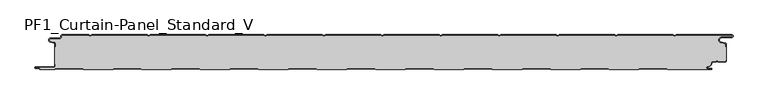
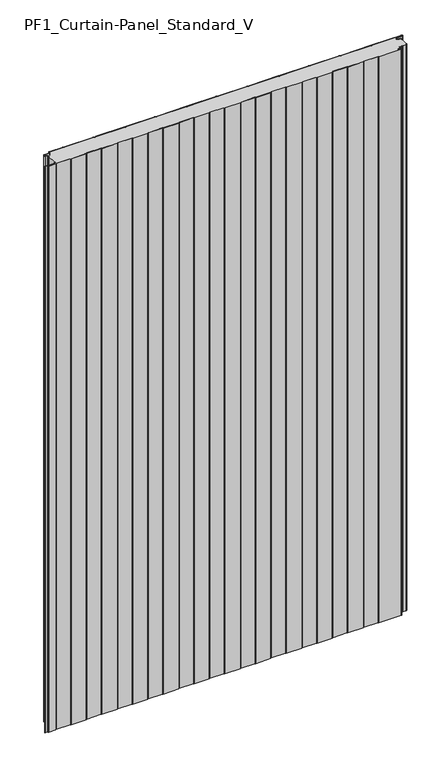
"""IFC4 building model written with IfcOpenShell, lengths in millimetres: plate geometry, PF1_Curtain-Panel_Standard_V."""

import ifcopenshell
import ifcopenshell.guid

model = None  # the IFC model being written
_history = None  # IfcOwnerHistory: only IFC2X3 demands one
_inside = {}  # id of a spatial element -> (the spatial element, [elements in it])
_under = {}  # id of a project, library or spatial element -> (it, [spatial elements below it])
_declared = {}  # id of a project -> (the project, [libraries it declares])
_typed = {}  # id of a type object -> (the type object, [elements of that type])
_made_of = {}  # id of a material, layer set ... -> (it, [elements and type objects made of it])


def new_model(schema):
    """Start an empty IFC model of exactly this schema.

    Asked for "IFC4X3", IfcOpenShell would pick the latest addendum, in which some entities
    have other attributes; the version numbers below select the first issue.
    IFC2X3 requires an IfcOwnerHistory on every rooted entity: one is made here for all.
    """
    global model, _history
    if schema == "IFC4X3":
        model = ifcopenshell.file(schema_version=(4, 3, 0, 0))
    else:
        model = ifcopenshell.file(schema=schema)
    _inside.clear()
    _under.clear()
    _declared.clear()
    _typed.clear()
    _made_of.clear()
    _history = None
    if model.schema == "IFC2X3":
        org = make("IfcOrganization", Name="unknown")
        user = make(
            "IfcPersonAndOrganization",
            ThePerson=make("IfcPerson", FamilyName="unknown"),
            TheOrganization=org,
        )
        app = make(
            "IfcApplication",
            ApplicationDeveloper=org,
            Version="unknown",
            ApplicationFullName="unknown",
            ApplicationIdentifier="unknown",
        )
        _history = make(
            "IfcOwnerHistory",
            OwningUser=user,
            OwningApplication=app,
            ChangeAction="ADDED",
            CreationDate=0,
        )
    return model


def make(cls, **values):
    """One entity of the class cls with the attributes given. An attribute that is None is left unset."""
    return model.create_entity(
        cls, **{name: value for name, value in values.items() if value is not None}
    )


def rooted(cls, **values):
    """An entity with a GlobalId (a new one), such as an element, a storey or a relation."""
    return make(cls, GlobalId=ifcopenshell.guid.new(), OwnerHistory=_history, **values)


def si_unit(unit_type, name, prefix=None):
    """IfcSIUnit, for example si_unit("LENGTHUNIT", "METRE", prefix="MILLI")."""
    return make("IfcSIUnit", UnitType=unit_type, Prefix=prefix, Name=name)


def assignment(units):
    """IfcUnitAssignment: the units of a project."""
    return None if units is None else make("IfcUnitAssignment", Units=units)


def point(xyz):
    """IfcCartesianPoint."""
    return None if xyz is None else make("IfcCartesianPoint", Coordinates=xyz)


def direction(xyz):
    """IfcDirection."""
    return None if xyz is None else make("IfcDirection", DirectionRatios=xyz)


def frame(location, z_axis=None, x_axis=None):
    """IfcAxis2Placement3D, a coordinate frame: its origin and axes. An axis left out is left unset."""
    return make(
        "IfcAxis2Placement3D",
        Location=point(location),
        Axis=direction(z_axis),
        RefDirection=direction(x_axis),
    )


def frame_2d(location, x_axis=None):
    """IfcAxis2Placement2D, a coordinate frame in the plane: its origin and x axis."""
    return make(
        "IfcAxis2Placement2D", Location=point(location), RefDirection=direction(x_axis)
    )


def origin():
    """The frame at (0, 0, 0) with its axes left unset."""
    return frame((0.0, 0.0, 0.0))


def origin_with_axes():
    """The frame at (0, 0, 0) with the z axis (0, 0, 1) and the x axis (1, 0, 0) written out."""
    return frame((0.0, 0.0, 0.0), z_axis=(0.0, 0.0, 1.0), x_axis=(1.0, 0.0, 0.0))


def place(relative_to, where):
    """IfcLocalPlacement: puts the frame where relative to a parent placement (None: the world)."""
    return make(
        "IfcLocalPlacement", PlacementRelTo=relative_to, RelativePlacement=where
    )


def context(
    kind, dimensions, precision=None, world=None, true_north=None, identifier=None
):
    """IfcGeometricRepresentationContext, for example the 3D "Model" context."""
    return make(
        "IfcGeometricRepresentationContext",
        ContextIdentifier=identifier,
        ContextType=kind,
        CoordinateSpaceDimension=dimensions,
        Precision=precision,
        WorldCoordinateSystem=world,
        TrueNorth=true_north,
    )


def project(units=None, contexts=None):
    """IfcProject with its units and contexts."""
    return rooted(
        "IfcProject",
        Name="project",
        RepresentationContexts=contexts,
        UnitsInContext=assignment(units),
    )


def spatial(cls, under=None, at=None, **own):
    """A site, building, storey or space (cls), placed at a placement, below another one or the project."""
    s = rooted(cls, ObjectPlacement=at, **own)
    if under is not None:
        _under.setdefault(under.id(), (under, []))[1].append(s)
    return s


def polyline(points):
    """IfcPolyline through the points."""
    return make("IfcPolyline", Points=[point(p) for p in points])


def circle_curve(where, radius):
    """IfcCircle in the frame where."""
    return make("IfcCircle", Position=where, Radius=radius)


def trimmed(basis, trim1, trim2, sense, master):
    """IfcTrimmedCurve: the piece of a basis curve between two trims."""
    return make(
        "IfcTrimmedCurve",
        BasisCurve=basis,
        Trim1=trim1,
        Trim2=trim2,
        SenseAgreement=sense,
        MasterRepresentation=master,
    )


def segment(curve, same_sense, transition):
    """IfcCompositeCurveSegment."""
    return make(
        "IfcCompositeCurveSegment",
        Transition=transition,
        SameSense=same_sense,
        ParentCurve=curve,
    )


def composite_curve(segments, self_intersect=None):
    """IfcCompositeCurve: segments joined end to end."""
    return make("IfcCompositeCurve", Segments=segments, SelfIntersect=self_intersect)


def outline(outer, holes=None, kind="AREA"):
    """IfcArbitraryClosedProfileDef: a profile drawn as a closed curve; with holes, ...WithVoids."""
    if holes is None:
        return make("IfcArbitraryClosedProfileDef", ProfileType=kind, OuterCurve=outer)
    return make(
        "IfcArbitraryProfileDefWithVoids",
        ProfileType=kind,
        OuterCurve=outer,
        InnerCurves=holes,
    )


def extrude(swept, where, along, depth):
    """IfcExtrudedAreaSolid: the profile swept, set in the frame where, extruded along a direction by depth."""
    return make(
        "IfcExtrudedAreaSolid",
        SweptArea=swept,
        Position=where,
        ExtrudedDirection=direction(along),
        Depth=depth,
    )


def shape(context_of_items, identifier, shape_type, items):
    """IfcShapeRepresentation: the items that make up one representation, for example the "Body"."""
    return make(
        "IfcShapeRepresentation",
        ContextOfItems=context_of_items,
        RepresentationIdentifier=identifier,
        RepresentationType=shape_type,
        Items=items,
    )


def source(mapping_origin, context_of_items, identifier, shape_type, items):
    """IfcRepresentationMap: a shape defined once, which mapped items show again and again."""
    return make(
        "IfcRepresentationMap",
        MappingOrigin=mapping_origin,
        MappedRepresentation=shape(context_of_items, identifier, shape_type, items),
    )


def transform(
    local_origin,
    x_axis=None,
    y_axis=None,
    z_axis=None,
    scale=None,
    scale2=None,
    scale3=None,
    uniform=True,
):
    """IfcCartesianTransformationOperator3D, or its non-uniform kind. x_axis, y_axis, z_axis: its Axis1, 2, 3."""
    if uniform:
        return make(
            "IfcCartesianTransformationOperator3D",
            Axis1=direction(x_axis),
            Axis2=direction(y_axis),
            LocalOrigin=point(local_origin),
            Scale=scale,
            Axis3=direction(z_axis),
        )
    return make(
        "IfcCartesianTransformationOperator3DnonUniform",
        Axis1=direction(x_axis),
        Axis2=direction(y_axis),
        LocalOrigin=point(local_origin),
        Scale=scale,
        Axis3=direction(z_axis),
        Scale2=scale2,
        Scale3=scale3,
    )


def mapped(mapping_source, mapping_target):
    """IfcMappedItem: shows the shape of a source again, moved by a transform."""
    return make(
        "IfcMappedItem", MappingSource=mapping_source, MappingTarget=mapping_target
    )


def made_of(thing, what):
    """Note that an element or type object is made of a material, layer set ...; save() writes the relation."""
    if what is not None:
        _made_of.setdefault(what.id(), (what, []))[1].append(thing)
    return thing


def element(
    cls,
    number,
    at=None,
    inside=None,
    cuts=None,
    type_object=None,
    material=None,
    context=None,
    identifier="Body",
    shape_type=None,
    held_by="IfcProductDefinitionShape",
    body=None,
    shapes=None,
    **own,
):
    """One element of the class cls, such as IfcWall. Its Tag is "e" and its number.

    at: its placement. inside: the storey or other place that contains it. cuts: it is an
    opening in that element (IfcRelVoidsElement). A single representation is given by context,
    identifier, shape_type and body (its items); several are given by shapes. held_by: the class
    of the entity that holds the representations. save() writes the other relations.
    """
    e = rooted(cls, Tag="e%d" % number, ObjectPlacement=at, **own)
    if body is not None:
        shapes = [shape(context, identifier, shape_type, body)]
    if shapes is not None:
        e.Representation = make(held_by, Representations=shapes)
    if inside is not None:
        _inside.setdefault(inside.id(), (inside, []))[1].append(e)
    if cuts is not None:
        rooted(
            "IfcRelVoidsElement", RelatingBuildingElement=cuts, RelatedOpeningElement=e
        )
    if type_object is not None:
        _typed.setdefault(type_object.id(), (type_object, []))[1].append(e)
    return made_of(e, material)


def aggregate(whole, parts):
    """IfcRelAggregates: a whole, such as a stair, and the parts it consists of."""
    return rooted("IfcRelAggregates", RelatingObject=whole, RelatedObjects=parts)


def save(model, path):
    """Write the relations noted so far, then the file.

    IfcRelAggregates (storeys below a building ...), IfcRelContainedInSpatialStructure (elements
    in a storey), IfcRelDefinesByType, IfcRelAssociatesMaterial and IfcRelDeclares: one each for
    every whole, place, type object, material and project.
    """
    for whole, parts in _under.values():
        aggregate(whole, parts)
    for where, things in _inside.values():
        rooted(
            "IfcRelContainedInSpatialStructure",
            RelatedElements=things,
            RelatingStructure=where,
        )
    for kind, things in _typed.values():
        rooted("IfcRelDefinesByType", RelatedObjects=things, RelatingType=kind)
    for what, things in _made_of.values():
        rooted("IfcRelAssociatesMaterial", RelatedObjects=things, RelatingMaterial=what)
    for by, libraries in _declared.values():
        rooted("IfcRelDeclares", RelatingContext=by, RelatedDefinitions=libraries)
    model.write(path)


def pf1_curtain_panel_standard_v_6b1c854a(model_context):
    return source(origin(), model_context, "Body", "SweptSolid", [
        extrude(outline(composite_curve([segment(trimmed(circle_curve(frame_2d((-577.0, -15.878557)), 2.0), [point((-575.0, -15.878557))], [point((-576.5500978, -13.9298169))], True, "CARTESIAN"), True, "CONTINUOUS"), segment(polyline([(-576.5500978, -13.9298169), (-582.7098239, -12.507732)]), True, "CONTINUOUS"), segment(trimmed(circle_curve(frame_2d((-581.9, -9.0)), 3.6), [point((-582.7098239, -12.507732))], [point((-581.9, -5.4))], False, "CARTESIAN"), True, "CONTINUOUS"), segment(polyline([(-581.9, -5.4), (-566.4, -5.4)]), True, "CONTINUOUS"), segment(trimmed(circle_curve(frame_2d((-566.4, -3.4)), 2.0), [point((-566.4, -5.4))], [point((-564.4, -3.4))], True, "CARTESIAN"), True, "CONTINUOUS"), segment(polyline([(-564.4, -3.4), (-564.4, -2.0)]), True, "CONTINUOUS"), segment(trimmed(circle_curve(frame_2d((-562.4, -2.0)), 2.0), [point((-564.4, -2.0))], [point((-562.4, 0.0))], False, "CARTESIAN"), True, "CONTINUOUS"), segment(polyline([(-562.4, 0.0), (-517.0999995, 0.0), (-514.4, -1.5588455), (-511.7000005, 0.0), (-417.0999995, 0.0), (-414.4, -1.5588455), (-411.7000005, 0.0), (-317.0999995, 0.0), (-314.4, -1.5588455), (-311.7000005, 0.0), (-217.0999995, 0.0), (-214.4, -1.5588455), (-211.7000005, 0.0), (-117.0999995, 0.0), (-114.4, -1.5588455), (-111.7000005, 0.0), (-17.0999995, 0.0), (-14.4, -1.5588455), (-11.7000005, 0.0), (82.9000005, 0.0), (85.6, -1.5588455), (88.2999995, 0.0), (182.9000005, 0.0), (185.6, -1.5588455), (188.2999995, 0.0), (282.9000005, 0.0), (285.6, -1.5588455), (288.2999995, 0.0), (382.9000005, 0.0), (385.6, -1.5588455), (388.2999995, 0.0), (482.9000005, 0.0), (485.6, -1.5588455), (488.2999995, 0.0), (583.268846, 0.0)]), True, "CONTINUOUS"), segment(trimmed(circle_curve(frame_2d((583.268846, -2.5)), 2.5), [point((583.268846, 0.0))], [point((583.268846, -5.0))], False, "CARTESIAN"), True, "CONTINUOUS"), segment(polyline([(583.268846, -5.0), (566.268846, -5.0)]), True, "CONTINUOUS"), segment(trimmed(circle_curve(frame_2d((566.268846, -9.0)), 4.0), [point((566.268846, -5.0))], [point((565.574253, -12.939231))], True, "CARTESIAN"), True, "CONTINUOUS"), segment(polyline([(565.574253, -12.939231), (572.0203315, -14.0758491)]), True, "CONTINUOUS"), segment(trimmed(circle_curve(frame_2d((571.568846, -16.6363492)), 2.6), [point((572.0203315, -14.0758491))], [point((574.168846, -16.6363492))], False, "CARTESIAN"), True, "CONTINUOUS"), segment(polyline([(574.168846, -16.6363492), (574.168846, -20.0), (573.368846, -20.0), (573.368846, -16.6363492)]), True, "CONTINUOUS"), segment(trimmed(circle_curve(frame_2d((571.568846, -16.6363492)), 1.8), [point((573.368846, -16.6363492))], [point((571.8814129, -14.8636953))], True, "CARTESIAN"), True, "CONTINUOUS"), segment(polyline([(571.8814129, -14.8636953), (565.4353344, -13.7270772)]), True, "CONTINUOUS"), segment(trimmed(circle_curve(frame_2d((566.268846, -9.0)), 4.8), [point((565.4353344, -13.7270772))], [point((566.268846, -4.2))], False, "CARTESIAN"), True, "CONTINUOUS"), segment(polyline([(566.268846, -4.2), (583.268846, -4.2)]), True, "CONTINUOUS"), segment(trimmed(circle_curve(frame_2d((583.268846, -2.5)), 1.7), [point((583.268846, -4.2))], [point((583.268846, -0.8))], True, "CARTESIAN"), True, "CONTINUOUS"), segment(polyline([(583.268846, -0.8), (488.5143588, -0.8), (485.6, -2.482606), (482.6856412, -0.8), (388.5143588, -0.8), (385.6, -2.482606), (382.6856412, -0.8), (288.5143588, -0.8), (285.6, -2.482606), (282.6856412, -0.8), (188.5143588, -0.8), (185.6, -2.482606), (182.6856412, -0.8), (88.5143588, -0.8), (85.6, -2.482606), (82.6856412, -0.8), (-11.4856412, -0.8), (-14.4, -2.482606), (-17.3143588, -0.8), (-111.4856412, -0.8), (-114.4, -2.482606), (-117.3143588, -0.8), (-211.4856412, -0.8), (-214.4, -2.482606), (-217.3143588, -0.8), (-311.4856412, -0.8), (-314.4, -2.482606), (-317.3143588, -0.8), (-411.4856412, -0.8), (-414.4, -2.482606), (-417.3143588, -0.8), (-511.4856412, -0.8), (-514.4, -2.482606), (-517.3143588, -0.8), (-562.4, -0.8)]), True, "CONTINUOUS"), segment(trimmed(circle_curve(frame_2d((-562.4, -2.0)), 1.2), [point((-562.4, -0.8))], [point((-563.6, -2.0))], True, "CARTESIAN"), True, "CONTINUOUS"), segment(polyline([(-563.6, -2.0), (-563.6, -3.4)]), True, "CONTINUOUS"), segment(trimmed(circle_curve(frame_2d((-566.4, -3.4)), 2.8), [point((-563.6, -3.4))], [point((-566.4, -6.2))], False, "CARTESIAN"), True, "CONTINUOUS"), segment(polyline([(-566.4, -6.2), (-581.9, -6.2)]), True, "CONTINUOUS"), segment(trimmed(circle_curve(frame_2d((-581.9, -9.0)), 2.8), [point((-581.9, -6.2))], [point((-582.529863, -11.7282362))], True, "CARTESIAN"), True, "CONTINUOUS"), segment(polyline([(-582.529863, -11.7282362), (-576.370137, -13.150321)]), True, "CONTINUOUS"), segment(trimmed(circle_curve(frame_2d((-577.0, -15.878557)), 2.8), [point((-576.370137, -13.150321))], [point((-574.2, -15.878557))], False, "CARTESIAN"), True, "CONTINUOUS"), segment(polyline([(-574.2, -15.878557), (-574.2, -20.0), (-575.0, -20.0), (-575.0, -15.878557)]), True, "CONTINUOUS")], self_intersect=False)), origin_with_axes(), (0.0, 0.0, 1.0), 1945.7507136),
        extrude(outline(composite_curve([segment(polyline([(-574.2, -50.0), (-575.0, -50.0), (-575.0, -20.0), (-574.2, -20.0), (-574.2, -15.878557)]), True, "CONTINUOUS"), segment(trimmed(circle_curve(frame_2d((-577.0, -15.878557)), 2.8), [point((-574.2, -15.878557))], [point((-576.370137, -13.1503208))], True, "CARTESIAN"), True, "CONTINUOUS"), segment(polyline([(-576.370137, -13.1503208), (-582.529863, -11.7282362)]), True, "CONTINUOUS"), segment(trimmed(circle_curve(frame_2d((-581.9, -9.0)), 2.8), [point((-582.529863, -11.7282362))], [point((-581.9, -6.2))], False, "CARTESIAN"), True, "CONTINUOUS"), segment(polyline([(-581.9, -6.2), (-566.4, -6.2)]), True, "CONTINUOUS"), segment(trimmed(circle_curve(frame_2d((-566.4, -3.4)), 2.8), [point((-566.4, -6.2))], [point((-563.6, -3.4))], True, "CARTESIAN"), True, "CONTINUOUS"), segment(polyline([(-563.6, -3.4), (-563.6, -2.0)]), True, "CONTINUOUS"), segment(trimmed(circle_curve(frame_2d((-562.4, -2.0)), 1.2), [point((-563.6, -2.0))], [point((-562.4, -0.8))], False, "CARTESIAN"), True, "CONTINUOUS"), segment(polyline([(-562.4, -0.8), (-517.3143588, -0.8), (-514.4, -2.482606), (-511.4856412, -0.8), (-417.3143588, -0.8), (-414.4, -2.482606), (-411.4856412, -0.8), (-317.3143588, -0.8), (-314.4, -2.482606), (-311.4856412, -0.8), (-217.3143588, -0.8), (-214.4, -2.482606), (-211.4856412, -0.8), (-117.3143588, -0.8), (-114.4, -2.482606), (-111.4856412, -0.8), (-17.3143588, -0.8), (-14.4, -2.482606), (-11.4856412, -0.8), (82.6856412, -0.8), (85.6, -2.482606), (88.5143588, -0.8), (182.6856412, -0.8), (185.6, -2.482606), (188.5143588, -0.8), (282.6856412, -0.8), (285.6, -2.482606), (288.5143588, -0.8), (382.6856412, -0.8), (385.6, -2.482606), (388.5143588, -0.8), (482.6856412, -0.8), (485.6, -2.482606), (488.5143588, -0.8), (583.268846, -0.8)]), True, "CONTINUOUS"), segment(trimmed(circle_curve(frame_2d((583.268846, -2.5)), 1.7), [point((583.268846, -0.8))], [point((583.268846, -4.2))], False, "CARTESIAN"), True, "CONTINUOUS"), segment(polyline([(583.268846, -4.2), (566.268846, -4.2)]), True, "CONTINUOUS"), segment(trimmed(circle_curve(frame_2d((566.268846, -9.0)), 4.8), [point((566.268846, -4.2))], [point((565.4353344, -13.7270772))], True, "CARTESIAN"), True, "CONTINUOUS"), segment(polyline([(565.4353344, -13.7270772), (571.8814129, -14.8636953)]), True, "CONTINUOUS"), segment(trimmed(circle_curve(frame_2d((571.568846, -16.6363492)), 1.8), [point((571.8814129, -14.8636953))], [point((573.368846, -16.6363492))], False, "CARTESIAN"), True, "CONTINUOUS"), segment(polyline([(573.368846, -16.6363492), (573.368846, -20.0), (574.168846, -20.0), (574.168846, -43.0), (573.368846, -43.0), (573.368846, -44.4)]), True, "CONTINUOUS"), segment(trimmed(circle_curve(frame_2d((571.568846, -44.4)), 1.8), [point((573.368846, -44.4))], [point((571.568846, -46.2))], False, "CARTESIAN"), True, "CONTINUOUS"), segment(polyline([(571.568846, -46.2), (560.0002158, -46.2), (558.168846, -44.3686285), (556.3374762, -46.2), (550.168846, -46.2)]), True, "CONTINUOUS"), segment(trimmed(circle_curve(frame_2d((550.168846, -48.0)), 1.8), [point((550.168846, -46.2))], [point((548.368846, -48.0))], True, "CARTESIAN"), True, "CONTINUOUS"), segment(polyline([(548.368846, -48.0), (548.368846, -48.8276204)]), True, "CONTINUOUS"), segment(trimmed(circle_curve(frame_2d((542.9964664, -48.8276204)), 5.3723796), [point((548.368846, -48.8276204))], [point((542.9964664, -54.2))], False, "CARTESIAN"), True, "CONTINUOUS"), segment(polyline([(542.9964664, -54.2), (542.168846, -54.2)]), True, "CONTINUOUS"), segment(trimmed(circle_curve(frame_2d((542.168846, -56.4)), 2.2), [point((542.168846, -54.2))], [point((542.168846, -58.6))], True, "CARTESIAN"), True, "CONTINUOUS"), segment(polyline([(542.168846, -58.6), (548.0579973, -58.6)]), True, "CONTINUOUS"), segment(trimmed(circle_curve(frame_2d((548.0579973, -58.9)), 0.3), [point((548.0579973, -58.6))], [point((548.0579973, -59.2))], False, "CARTESIAN"), True, "CONTINUOUS"), segment(polyline([(548.0579973, -59.2), (474.2152562, -59.2), (471.6171786, -57.7), (426.3884624, -57.7), (423.7903848, -59.2), (374.2152562, -59.2), (371.6171786, -57.7), (326.3884624, -57.7), (323.7903848, -59.2), (274.2152562, -59.2), (271.6171786, -57.7), (226.3884624, -57.7), (223.7903848, -59.2), (174.2152562, -59.2), (171.6171786, -57.7), (126.3884624, -57.7), (123.7903848, -59.2), (74.2152562, -59.2), (71.6171786, -57.7), (26.3884624, -57.7), (23.7903848, -59.2), (-25.7847438, -59.2), (-28.3828214, -57.7), (-73.6115376, -57.7), (-76.2096152, -59.2), (-125.7847438, -59.2), (-128.3828214, -57.7), (-173.6115376, -57.7), (-176.2096152, -59.2), (-225.7847438, -59.2), (-228.3828214, -57.7), (-273.6115376, -57.7), (-276.2096152, -59.2), (-325.7847438, -59.2), (-328.3828214, -57.7), (-373.6115376, -57.7), (-376.2096152, -59.2), (-425.7847438, -59.2), (-428.3828214, -57.7), (-473.6115376, -57.7), (-476.2096152, -59.2), (-525.7847438, -59.2), (-528.3828214, -57.7), (-573.6115376, -57.7), (-576.2096152, -59.2), (-599.4, -59.2)]), True, "CONTINUOUS"), segment(trimmed(circle_curve(frame_2d((-599.4, -58.4)), 0.8), [point((-599.4, -59.2))], [point((-600.2, -58.4))], False, "CARTESIAN"), True, "CONTINUOUS"), segment(trimmed(circle_curve(frame_2d((-601.9, -58.6133333)), 1.7133333), [point((-600.2, -58.4))], [point((-601.9, -56.9))], True, "CARTESIAN"), True, "CONTINUOUS"), segment(polyline([(-601.9, -56.9), (-607.8700312, -56.9)]), True, "CONTINUOUS"), segment(trimmed(circle_curve(frame_2d((-607.8700312, -56.6)), 0.3), [point((-607.8700312, -56.9))], [point((-607.8700312, -56.3))], False, "CARTESIAN"), True, "CONTINUOUS"), segment(polyline([(-607.8700312, -56.3), (-577.0, -56.3)]), True, "CONTINUOUS"), segment(trimmed(circle_curve(frame_2d((-577.0, -53.5)), 2.8), [point((-577.0, -56.3))], [point((-574.2, -53.5))], True, "CARTESIAN"), True, "CONTINUOUS"), segment(polyline([(-574.2, -53.5), (-574.2, -50.0)]), True, "CONTINUOUS")], self_intersect=False)), origin_with_axes(), (0.0, 0.0, 1.0), 1945.7507136),
        extrude(outline(composite_curve([segment(polyline([(-575.0, -50.0), (-574.2, -50.0), (-574.2, -53.5)]), True, "CONTINUOUS"), segment(trimmed(circle_curve(frame_2d((-577.0, -53.5)), 2.8), [point((-574.2, -53.5))], [point((-577.0, -56.3))], False, "CARTESIAN"), True, "CONTINUOUS"), segment(polyline([(-577.0, -56.3), (-607.8700312, -56.3)]), True, "CONTINUOUS"), segment(trimmed(circle_curve(frame_2d((-607.8700312, -56.6)), 0.3), [point((-607.8700312, -56.3))], [point((-607.8700312, -56.9))], True, "CARTESIAN"), True, "CONTINUOUS"), segment(polyline([(-607.8700312, -56.9), (-601.9, -56.9)]), True, "CONTINUOUS"), segment(trimmed(circle_curve(frame_2d((-601.9, -58.6133333)), 1.7133333), [point((-601.9, -56.9))], [point((-600.2, -58.4))], False, "CARTESIAN"), True, "CONTINUOUS"), segment(trimmed(circle_curve(frame_2d((-599.4, -58.4)), 0.8), [point((-600.2, -58.4))], [point((-599.4, -59.2))], True, "CARTESIAN"), True, "CONTINUOUS"), segment(polyline([(-599.4, -59.2), (-576.2096152, -59.2), (-573.6115376, -57.7), (-528.3828214, -57.7), (-525.7847438, -59.2), (-476.2096152, -59.2), (-473.6115376, -57.7), (-428.3828214, -57.7), (-425.7847438, -59.2), (-376.2096152, -59.2), (-373.6115376, -57.7), (-328.3828214, -57.7), (-325.7847438, -59.2), (-276.2096152, -59.2), (-273.6115376, -57.7), (-228.3828214, -57.7), (-225.7847438, -59.2), (-176.2096152, -59.2), (-173.6115376, -57.7), (-128.3828214, -57.7), (-125.7847438, -59.2), (-76.2096152, -59.2), (-73.6115376, -57.7), (-28.3828214, -57.7), (-25.7847438, -59.2), (23.7903848, -59.2), (26.3884624, -57.7), (71.6171786, -57.7), (74.2152562, -59.2), (123.7903848, -59.2), (126.3884624, -57.7), (171.6171786, -57.7), (174.2152562, -59.2), (223.7903848, -59.2), (226.3884624, -57.7), (271.6171786, -57.7), (274.2152562, -59.2), (323.7903848, -59.2), (326.3884624, -57.7), (371.6171786, -57.7), (374.2152562, -59.2), (423.7903848, -59.2), (426.3884624, -57.7), (471.6171786, -57.7), (474.2152562, -59.2), (548.0579973, -59.2)]), True, "CONTINUOUS"), segment(trimmed(circle_curve(frame_2d((548.0579973, -58.9)), 0.3), [point((548.0579973, -59.2))], [point((548.0579973, -58.6))], True, "CARTESIAN"), True, "CONTINUOUS"), segment(polyline([(548.0579973, -58.6), (542.168846, -58.6)]), True, "CONTINUOUS"), segment(trimmed(circle_curve(frame_2d((542.168846, -56.4)), 2.2), [point((542.168846, -58.6))], [point((542.168846, -54.2))], False, "CARTESIAN"), True, "CONTINUOUS"), segment(polyline([(542.168846, -54.2), (542.9964664, -54.2)]), True, "CONTINUOUS"), segment(trimmed(circle_curve(frame_2d((542.9964664, -48.8276204)), 5.3723796), [point((542.9964664, -54.2))], [point((548.368846, -48.8276204))], True, "CARTESIAN"), True, "CONTINUOUS"), segment(polyline([(548.368846, -48.8276204), (548.368846, -48.0)]), True, "CONTINUOUS"), segment(trimmed(circle_curve(frame_2d((550.168846, -48.0)), 1.8), [point((548.368846, -48.0))], [point((550.168846, -46.2))], False, "CARTESIAN"), True, "CONTINUOUS"), segment(polyline([(550.168846, -46.2), (556.3374762, -46.2), (558.168846, -44.3686285), (560.0002158, -46.2), (571.568846, -46.2)]), True, "CONTINUOUS"), segment(trimmed(circle_curve(frame_2d((571.568846, -44.4)), 1.8), [point((571.568846, -46.2))], [point((573.368846, -44.4))], True, "CARTESIAN"), True, "CONTINUOUS"), segment(polyline([(573.368846, -44.4), (573.368846, -43.0), (574.168846, -43.0), (574.168846, -44.4)]), True, "CONTINUOUS"), segment(trimmed(circle_curve(frame_2d((571.568846, -44.4)), 2.6), [point((574.168846, -44.4))], [point((571.568846, -47.0))], False, "CARTESIAN"), True, "CONTINUOUS"), segment(polyline([(571.568846, -47.0), (559.6688448, -47.0), (558.168846, -45.4999999), (556.6688472, -47.0), (550.168846, -47.0)]), True, "CONTINUOUS"), segment(trimmed(circle_curve(frame_2d((550.168846, -48.0)), 1.0), [point((550.168846, -47.0))], [point((549.168846, -48.0))], True, "CARTESIAN"), True, "CONTINUOUS"), segment(polyline([(549.168846, -48.0), (549.168846, -48.8276204)]), True, "CONTINUOUS"), segment(trimmed(circle_curve(frame_2d((542.9964664, -48.8276204)), 6.1723796), [point((549.168846, -48.8276204))], [point((542.9964664, -55.0))], False, "CARTESIAN"), True, "CONTINUOUS"), segment(polyline([(542.9964664, -55.0), (542.168846, -55.0)]), True, "CONTINUOUS"), segment(trimmed(circle_curve(frame_2d((542.168846, -56.5)), 1.5), [point((542.168846, -55.0))], [point((542.168846, -58.0))], True, "CARTESIAN"), True, "CONTINUOUS"), segment(polyline([(542.168846, -58.0), (548.168846, -58.0)]), True, "CONTINUOUS"), segment(trimmed(circle_curve(frame_2d((548.168846, -59.0)), 1.0), [point((548.168846, -58.0))], [point((548.168846, -60.0))], False, "CARTESIAN"), True, "CONTINUOUS"), segment(polyline([(548.168846, -60.0), (474.0008969, -60.0), (471.4028193, -58.5), (426.6028217, -58.5), (424.0047441, -60.0), (374.0008969, -60.0), (371.4028193, -58.5), (326.6028217, -58.5), (324.0047441, -60.0), (274.0008969, -60.0), (271.4028193, -58.5), (226.6028217, -58.5), (224.0047441, -60.0), (174.0008969, -60.0), (171.4028193, -58.5), (126.6028217, -58.5), (124.0047441, -60.0), (74.0008969, -60.0), (71.4028193, -58.5), (26.6028217, -58.5), (24.0047441, -60.0), (-25.9991031, -60.0), (-28.5971807, -58.5), (-73.3971783, -58.5), (-75.9952559, -60.0), (-125.9991031, -60.0), (-128.5971807, -58.5), (-173.3971783, -58.5), (-175.9952559, -60.0), (-225.9991031, -60.0), (-228.5971807, -58.5), (-273.3971783, -58.5), (-275.9952559, -60.0), (-325.9991031, -60.0), (-328.5971807, -58.5), (-373.3971783, -58.5), (-375.9952559, -60.0), (-425.9991031, -60.0), (-428.5971807, -58.5), (-473.3971783, -58.5), (-475.9952559, -60.0), (-525.9991031, -60.0), (-528.5971807, -58.5), (-573.3971783, -58.5), (-575.9952559, -60.0), (-599.4, -60.0)]), True, "CONTINUOUS"), segment(trimmed(circle_curve(frame_2d((-599.4, -58.4)), 1.6), [point((-599.4, -60.0))], [point((-601.0, -58.4))], False, "CARTESIAN"), True, "CONTINUOUS"), segment(trimmed(circle_curve(frame_2d((-601.9, -58.4)), 0.9), [point((-601.0, -58.4))], [point((-601.9, -57.5))], True, "CARTESIAN"), True, "CONTINUOUS"), segment(polyline([(-601.9, -57.5), (-608.0, -57.5)]), True, "CONTINUOUS"), segment(trimmed(circle_curve(frame_2d((-608.0, -56.5)), 1.0), [point((-608.0, -57.5))], [point((-608.0, -55.5))], False, "CARTESIAN"), True, "CONTINUOUS"), segment(polyline([(-608.0, -55.5), (-577.0, -55.5)]), True, "CONTINUOUS"), segment(trimmed(circle_curve(frame_2d((-577.0, -53.5)), 2.0), [point((-577.0, -55.5))], [point((-575.0, -53.5))], True, "CARTESIAN"), True, "CONTINUOUS"), segment(polyline([(-575.0, -53.5), (-575.0, -50.0)]), True, "CONTINUOUS")], self_intersect=False)), origin_with_axes(), (0.0, 0.0, 1.0), 1945.7507136),
    ])


if __name__ == "__main__":
    model = new_model("IFC4")
    model_context = context("Model", 3, world=origin())
    ifc_project = project(units=[si_unit("LENGTHUNIT", "METRE", prefix="MILLI")], contexts=[model_context])
    site = spatial("IfcSite", under=ifc_project)
    building = spatial("IfcBuilding", under=site)
    placement = place(None, origin())
    pf1_curtain_panel_standard_v_shape = pf1_curtain_panel_standard_v_6b1c854a(model_context)
    element("IfcPlate", 1, ObjectType="PF1_Curtain-Panel_Standard_V", at=placement, inside=building, context=model_context, shape_type="MappedRepresentation", body=[
        mapped(pf1_curtain_panel_standard_v_shape, transform((0.0, 0.0, 0.0), x_axis=(1.0, 0.0, 0.0), y_axis=(0.0, 1.0, 0.0), z_axis=(0.0, 0.0, 1.0))),
    ])
    save(model, "model.ifc")
